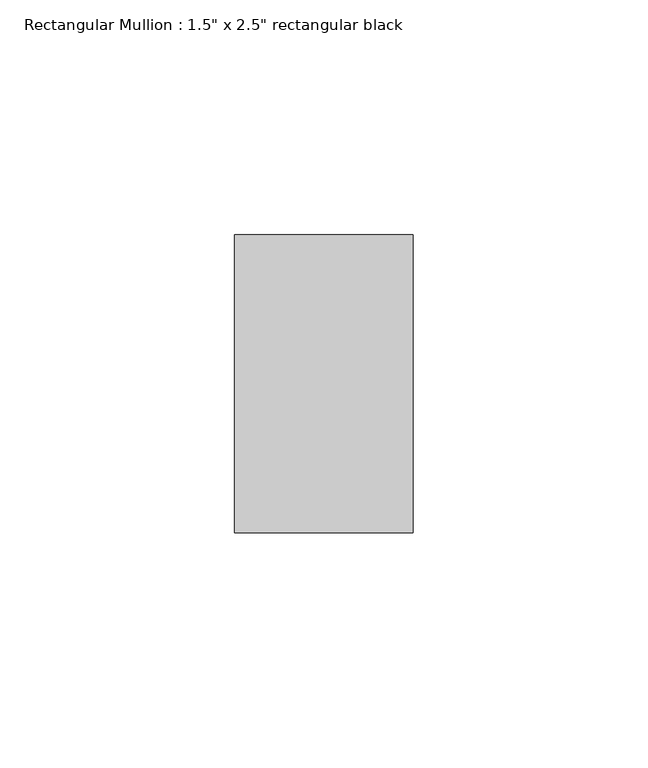
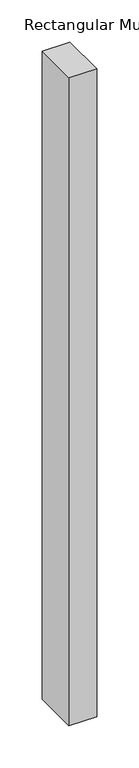
"""IFC4 building model written with IfcOpenShell, lengths in millimetres: member geometry."""

from ifc_helpers import new_model, si_unit, frame, origin, place, context, project, spatial, polyline, outline, extrude, source, transform, mapped, element, save


def member_127725eb(model_context):
    return source(origin(), model_context, "Body", "SweptSolid", [
        extrude(outline(polyline([(0.0, 31.75), (0.0, -31.75), (-38.1, -31.75), (-38.1, 31.75), (0.0, 31.75)])), frame((0.0, 0.0, -939.8), z_axis=(0.0, 0.0, 1.0), x_axis=(1.0, 0.0, 0.0)), (0.0, 0.0, 1.0), 939.8),
    ])


if __name__ == "__main__":
    model = new_model("IFC4")
    model_context = context("Model", 3, world=origin())
    ifc_project = project(units=[si_unit("LENGTHUNIT", "METRE", prefix="MILLI")], contexts=[model_context])
    site = spatial("IfcSite", under=ifc_project)
    building = spatial("IfcBuilding", under=site)
    placement = place(None, origin())
    member_shape = member_127725eb(model_context)
    element("IfcMember", 1, ObjectType="Rectangular Mullion : 1.5\" x 2.5\" rectangular black", at=placement, inside=building, context=model_context, shape_type="MappedRepresentation", body=[
        mapped(member_shape, transform((0.0, 0.0, 0.0), x_axis=(1.0, 0.0, 0.0), y_axis=(0.0, 1.0, 0.0), z_axis=(0.0, 0.0, 1.0))),
    ])
    save(model, "model.ifc")
